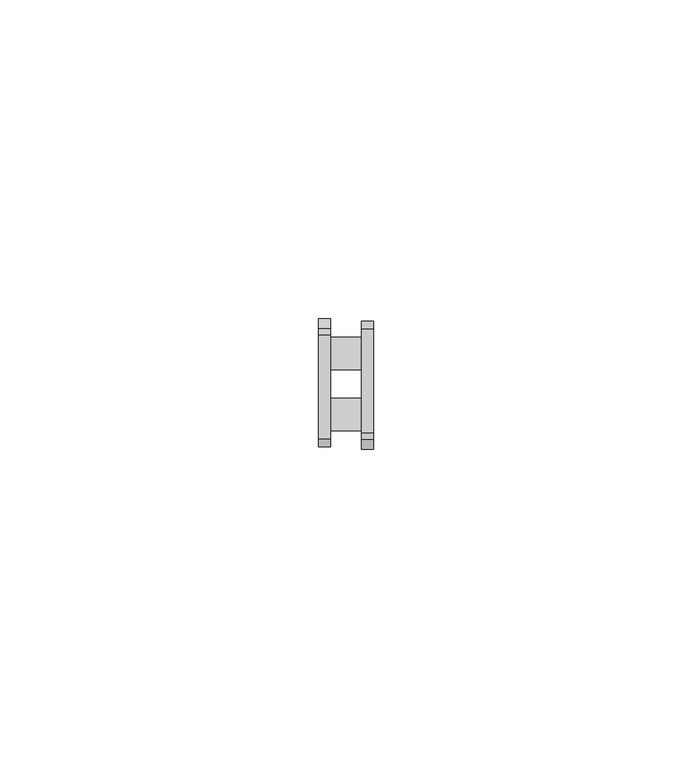
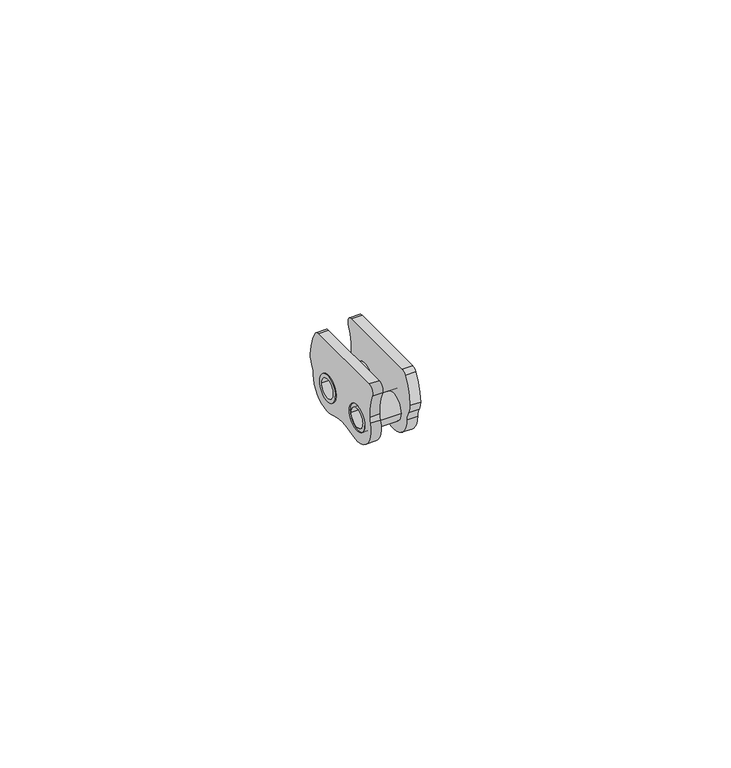
"""IFC4 building model written with IfcOpenShell, lengths in millimetres: proxy geometry."""

import ifcopenshell
import ifcopenshell.guid

model = None  # the IFC model being written
_history = None  # IfcOwnerHistory: only IFC2X3 demands one
_inside = {}  # id of a spatial element -> (the spatial element, [elements in it])
_under = {}  # id of a project, library or spatial element -> (it, [spatial elements below it])
_declared = {}  # id of a project -> (the project, [libraries it declares])
_typed = {}  # id of a type object -> (the type object, [elements of that type])
_made_of = {}  # id of a material, layer set ... -> (it, [elements and type objects made of it])


def new_model(schema):
    """Start an empty IFC model of exactly this schema.

    Asked for "IFC4X3", IfcOpenShell would pick the latest addendum, in which some entities
    have other attributes; the version numbers below select the first issue.
    IFC2X3 requires an IfcOwnerHistory on every rooted entity: one is made here for all.
    """
    global model, _history
    if schema == "IFC4X3":
        model = ifcopenshell.file(schema_version=(4, 3, 0, 0))
    else:
        model = ifcopenshell.file(schema=schema)
    _inside.clear()
    _under.clear()
    _declared.clear()
    _typed.clear()
    _made_of.clear()
    _history = None
    if model.schema == "IFC2X3":
        org = make("IfcOrganization", Name="unknown")
        user = make(
            "IfcPersonAndOrganization",
            ThePerson=make("IfcPerson", FamilyName="unknown"),
            TheOrganization=org,
        )
        app = make(
            "IfcApplication",
            ApplicationDeveloper=org,
            Version="unknown",
            ApplicationFullName="unknown",
            ApplicationIdentifier="unknown",
        )
        _history = make(
            "IfcOwnerHistory",
            OwningUser=user,
            OwningApplication=app,
            ChangeAction="ADDED",
            CreationDate=0,
        )
    return model


def make(cls, **values):
    """One entity of the class cls with the attributes given. An attribute that is None is left unset."""
    return model.create_entity(
        cls, **{name: value for name, value in values.items() if value is not None}
    )


def rooted(cls, **values):
    """An entity with a GlobalId (a new one), such as an element, a storey or a relation."""
    return make(cls, GlobalId=ifcopenshell.guid.new(), OwnerHistory=_history, **values)


def si_unit(unit_type, name, prefix=None):
    """IfcSIUnit, for example si_unit("LENGTHUNIT", "METRE", prefix="MILLI")."""
    return make("IfcSIUnit", UnitType=unit_type, Prefix=prefix, Name=name)


def assignment(units):
    """IfcUnitAssignment: the units of a project."""
    return None if units is None else make("IfcUnitAssignment", Units=units)


def point(xyz):
    """IfcCartesianPoint."""
    return None if xyz is None else make("IfcCartesianPoint", Coordinates=xyz)


def direction(xyz):
    """IfcDirection."""
    return None if xyz is None else make("IfcDirection", DirectionRatios=xyz)


def frame(location, z_axis=None, x_axis=None):
    """IfcAxis2Placement3D, a coordinate frame: its origin and axes. An axis left out is left unset."""
    return make(
        "IfcAxis2Placement3D",
        Location=point(location),
        Axis=direction(z_axis),
        RefDirection=direction(x_axis),
    )


def frame_2d(location, x_axis=None):
    """IfcAxis2Placement2D, a coordinate frame in the plane: its origin and x axis."""
    return make(
        "IfcAxis2Placement2D", Location=point(location), RefDirection=direction(x_axis)
    )


def origin():
    """The frame at (0, 0, 0) with its axes left unset."""
    return frame((0.0, 0.0, 0.0))


def origin_2d():
    """The frame at (0, 0) in the plane with its x axis left unset."""
    return frame_2d((0.0, 0.0))


def place(relative_to, where):
    """IfcLocalPlacement: puts the frame where relative to a parent placement (None: the world)."""
    return make(
        "IfcLocalPlacement", PlacementRelTo=relative_to, RelativePlacement=where
    )


def context(
    kind, dimensions, precision=None, world=None, true_north=None, identifier=None
):
    """IfcGeometricRepresentationContext, for example the 3D "Model" context."""
    return make(
        "IfcGeometricRepresentationContext",
        ContextIdentifier=identifier,
        ContextType=kind,
        CoordinateSpaceDimension=dimensions,
        Precision=precision,
        WorldCoordinateSystem=world,
        TrueNorth=true_north,
    )


def project(units=None, contexts=None):
    """IfcProject with its units and contexts."""
    return rooted(
        "IfcProject",
        Name="project",
        RepresentationContexts=contexts,
        UnitsInContext=assignment(units),
    )


def spatial(cls, under=None, at=None, **own):
    """A site, building, storey or space (cls), placed at a placement, below another one or the project."""
    s = rooted(cls, ObjectPlacement=at, **own)
    if under is not None:
        _under.setdefault(under.id(), (under, []))[1].append(s)
    return s


def polyline(points):
    """IfcPolyline through the points."""
    return make("IfcPolyline", Points=[point(p) for p in points])


def circle_curve(where, radius):
    """IfcCircle in the frame where."""
    return make("IfcCircle", Position=where, Radius=radius)


def trimmed(basis, trim1, trim2, sense, master):
    """IfcTrimmedCurve: the piece of a basis curve between two trims."""
    return make(
        "IfcTrimmedCurve",
        BasisCurve=basis,
        Trim1=trim1,
        Trim2=trim2,
        SenseAgreement=sense,
        MasterRepresentation=master,
    )


def segment(curve, same_sense, transition):
    """IfcCompositeCurveSegment."""
    return make(
        "IfcCompositeCurveSegment",
        Transition=transition,
        SameSense=same_sense,
        ParentCurve=curve,
    )


def composite_curve(segments, self_intersect=None):
    """IfcCompositeCurve: segments joined end to end."""
    return make("IfcCompositeCurve", Segments=segments, SelfIntersect=self_intersect)


def outline(outer, holes=None, kind="AREA"):
    """IfcArbitraryClosedProfileDef: a profile drawn as a closed curve; with holes, ...WithVoids."""
    if holes is None:
        return make("IfcArbitraryClosedProfileDef", ProfileType=kind, OuterCurve=outer)
    return make(
        "IfcArbitraryProfileDefWithVoids",
        ProfileType=kind,
        OuterCurve=outer,
        InnerCurves=holes,
    )


def extrude(swept, where, along, depth):
    """IfcExtrudedAreaSolid: the profile swept, set in the frame where, extruded along a direction by depth."""
    return make(
        "IfcExtrudedAreaSolid",
        SweptArea=swept,
        Position=where,
        ExtrudedDirection=direction(along),
        Depth=depth,
    )


def shape(context_of_items, identifier, shape_type, items):
    """IfcShapeRepresentation: the items that make up one representation, for example the "Body"."""
    return make(
        "IfcShapeRepresentation",
        ContextOfItems=context_of_items,
        RepresentationIdentifier=identifier,
        RepresentationType=shape_type,
        Items=items,
    )


def source(mapping_origin, context_of_items, identifier, shape_type, items):
    """IfcRepresentationMap: a shape defined once, which mapped items show again and again."""
    return make(
        "IfcRepresentationMap",
        MappingOrigin=mapping_origin,
        MappedRepresentation=shape(context_of_items, identifier, shape_type, items),
    )


def transform(
    local_origin,
    x_axis=None,
    y_axis=None,
    z_axis=None,
    scale=None,
    scale2=None,
    scale3=None,
    uniform=True,
):
    """IfcCartesianTransformationOperator3D, or its non-uniform kind. x_axis, y_axis, z_axis: its Axis1, 2, 3."""
    if uniform:
        return make(
            "IfcCartesianTransformationOperator3D",
            Axis1=direction(x_axis),
            Axis2=direction(y_axis),
            LocalOrigin=point(local_origin),
            Scale=scale,
            Axis3=direction(z_axis),
        )
    return make(
        "IfcCartesianTransformationOperator3DnonUniform",
        Axis1=direction(x_axis),
        Axis2=direction(y_axis),
        LocalOrigin=point(local_origin),
        Scale=scale,
        Axis3=direction(z_axis),
        Scale2=scale2,
        Scale3=scale3,
    )


def mapped(mapping_source, mapping_target):
    """IfcMappedItem: shows the shape of a source again, moved by a transform."""
    return make(
        "IfcMappedItem", MappingSource=mapping_source, MappingTarget=mapping_target
    )


def made_of(thing, what):
    """Note that an element or type object is made of a material, layer set ...; save() writes the relation."""
    if what is not None:
        _made_of.setdefault(what.id(), (what, []))[1].append(thing)
    return thing


def element(
    cls,
    number,
    at=None,
    inside=None,
    cuts=None,
    type_object=None,
    material=None,
    context=None,
    identifier="Body",
    shape_type=None,
    held_by="IfcProductDefinitionShape",
    body=None,
    shapes=None,
    **own,
):
    """One element of the class cls, such as IfcWall. Its Tag is "e" and its number.

    at: its placement. inside: the storey or other place that contains it. cuts: it is an
    opening in that element (IfcRelVoidsElement). A single representation is given by context,
    identifier, shape_type and body (its items); several are given by shapes. held_by: the class
    of the entity that holds the representations. save() writes the other relations.
    """
    e = rooted(cls, Tag="e%d" % number, ObjectPlacement=at, **own)
    if body is not None:
        shapes = [shape(context, identifier, shape_type, body)]
    if shapes is not None:
        e.Representation = make(held_by, Representations=shapes)
    if inside is not None:
        _inside.setdefault(inside.id(), (inside, []))[1].append(e)
    if cuts is not None:
        rooted(
            "IfcRelVoidsElement", RelatingBuildingElement=cuts, RelatedOpeningElement=e
        )
    if type_object is not None:
        _typed.setdefault(type_object.id(), (type_object, []))[1].append(e)
    return made_of(e, material)


def aggregate(whole, parts):
    """IfcRelAggregates: a whole, such as a stair, and the parts it consists of."""
    return rooted("IfcRelAggregates", RelatingObject=whole, RelatedObjects=parts)


def save(model, path):
    """Write the relations noted so far, then the file.

    IfcRelAggregates (storeys below a building ...), IfcRelContainedInSpatialStructure (elements
    in a storey), IfcRelDefinesByType, IfcRelAssociatesMaterial and IfcRelDeclares: one each for
    every whole, place, type object, material and project.
    """
    for whole, parts in _under.values():
        aggregate(whole, parts)
    for where, things in _inside.values():
        rooted(
            "IfcRelContainedInSpatialStructure",
            RelatedElements=things,
            RelatingStructure=where,
        )
    for kind, things in _typed.values():
        rooted("IfcRelDefinesByType", RelatedObjects=things, RelatingType=kind)
    for what, things in _made_of.values():
        rooted("IfcRelAssociatesMaterial", RelatedObjects=things, RelatingMaterial=what)
    for by, libraries in _declared.values():
        rooted("IfcRelDeclares", RelatingContext=by, RelatedDefinitions=libraries)
    model.write(path)


def plane_surface(at):
    """IfcPlane: the flat surface through the origin of the frame at, square to its z axis."""
    return make("IfcPlane", Position=at)


def cylinder_surface(at, radius):
    """IfcCylindricalSurface: all points at the distance radius from the z axis of the frame at."""
    return make("IfcCylindricalSurface", Position=at, Radius=radius)


def revolved_surface(curve, axis_point, axis_direction):
    """IfcSurfaceOfRevolution: the curve turned about the line through axis_point along axis_direction."""
    return make(
        "IfcSurfaceOfRevolution",
        SweptCurve=make("IfcArbitraryOpenProfileDef", ProfileType="CURVE", Curve=curve),
        AxisPosition=make("IfcAxis1Placement", Location=point(axis_point), Axis=direction(axis_direction)),
    )


def advanced_brep(points, edges, surfaces, faces):
    """IfcAdvancedBrep: a solid bounded by faces that lie on surfaces and meet in shared edges.

    An edge is (start, end): straight between two places in points (the first is 0);
    or (start, end, curve); or (start, end, curve, False) where it runs against its curve.
    A face is (place in surfaces, loops), or (place, loops, False) where it looks against
    its surface's normal. A loop lists edges by number (the first is 1), with a minus sign
    where the edge is run from its end to its start. The first loop is the outer one.
    """
    corners = [point(p) for p in points]
    vertices = [make("IfcVertexPoint", VertexGeometry=c) for c in corners]
    made = []
    for start, end, *more in edges:
        made.append(
            make(
                "IfcEdgeCurve",
                EdgeStart=vertices[start],
                EdgeEnd=vertices[end],
                EdgeGeometry=more[0] if more else make("IfcPolyline", Points=[corners[start], corners[end]]),
                SameSense=more[1] if len(more) > 1 else True,
            )
        )
    hull = []
    for where, loops, *sense in faces:
        bounds = []
        for j, loop in enumerate(loops):
            ring = [make("IfcOrientedEdge", EdgeElement=made[abs(k) - 1], Orientation=k > 0) for k in loop]
            bounds.append(
                make(
                    "IfcFaceOuterBound" if j == 0 else "IfcFaceBound",
                    Bound=make("IfcEdgeLoop", EdgeList=ring),
                    Orientation=True,
                )
            )
        hull.append(make("IfcAdvancedFace", Bounds=bounds, FaceSurface=surfaces[where], SameSense=sense[0] if sense else True))
    return make("IfcAdvancedBrep", Outer=make("IfcClosedShell", CfsFaces=hull))


def generic_models_508b4e1f(model_context):
    return source(origin(), model_context, "Body", "SolidModel", [
        extrude(outline(composite_curve([segment(trimmed(circle_curve(frame_2d((9.525, 0.0)), 2.54), [point((6.985, 0.0))], [point((12.065, 0.0))], False, "CARTESIAN"), True, "CONTINUOUS"), segment(trimmed(circle_curve(frame_2d((9.525, 0.0)), 2.54), [point((12.065, 0.0))], [point((6.985, 0.0))], False, "CARTESIAN"), True, "CONTINUOUS")], self_intersect=False), holes=[composite_curve([segment(trimmed(circle_curve(frame_2d((9.525, 0.0)), 1.8), [point((11.325, 0.0))], [point((7.725, 0.0))], True, "CARTESIAN"), True, "CONTINUOUS"), segment(trimmed(circle_curve(frame_2d((9.525, 0.0)), 1.8), [point((7.725, 0.0))], [point((11.325, 0.0))], True, "CARTESIAN"), True, "CONTINUOUS")], self_intersect=False)]), frame((-4.335, 0.0, 0.0), z_axis=(1.0, 0.0, 0.0), x_axis=(0.0, 1.0, 0.0)), (0.0, 0.0, 1.0), 8.67),
        advanced_brep(
        [(-4.335, 2.5, 0.0), (-2.435, 2.5, 0.0), (-2.435, -2.5, 0.0), (-4.335, -2.5, 0.0), (-4.335, 12.025, 0.0), (-2.435, 12.025, 0.0), (-2.435, 7.025, 0.0), (-4.335, 7.025, 0.0), (-4.335, 12.0054865, 0.3117476), (-4.335, 14.5233959, 1.6559512), (-4.335, 14.025, 0.0), (-4.335, 8.0469828, -4.2503488), (-4.335, 1.4780172, -4.2503488), (-4.335, -4.2531196, 1.470025), (-4.335, -4.0395552, 2.5606561), (-4.335, -4.948107, 7.2964286), (-4.335, -3.8588798, 9.0), (-4.335, 12.4647581, 9.0), (-4.335, 13.4792705, 8.4409091), (-4.335, 15.0204168, 3.4027264), (-2.435, 8.0469828, -4.2503488), (-2.435, 1.4780172, -4.2503488), (-2.435, 14.5233959, 1.6559512), (-2.435, 14.025, 0.0), (-2.435, -4.2531196, 1.470025), (-2.435, 15.0204168, 3.4027264), (-2.435, 13.4792705, 8.4409091), (-2.435, -4.0395552, 2.5606561), (-2.435, -4.948107, 7.2964286), (-2.435, 12.4647581, 9.0), (-2.435, -3.8588798, 9.0)],
        [
            (0, 1),
            (1, 2, circle_curve(frame((-2.435, 0.0, 0.0), z_axis=(1.0, 0.0, 0.0), x_axis=(0.0, 1.0, 0.0)), 2.5)),
            (2, 3),
            (3, 0, circle_curve(frame((-4.335, 0.0, 0.0), z_axis=(-1.0, 0.0, 0.0), x_axis=(0.0, 1.0, 0.0)), 2.5)),
            (4, 5),
            (5, 6, circle_curve(frame((-2.435, 9.525, 0.0), z_axis=(1.0, 0.0, 0.0), x_axis=(0.0, 1.0, 0.0)), 2.5)),
            (6, 7),
            (7, 8, circle_curve(frame((-4.335, 9.525, 0.0), z_axis=(-1.0, 0.0, 0.0), x_axis=(0.0, 1.0, 0.0)), 2.5)),
            (8, 4, circle_curve(frame((-4.335, 9.525, 0.0), z_axis=(-1.0, 0.0, 0.0), x_axis=(0.0, 1.0, 0.0)), 2.5)),
            (9, 10, circle_curve(frame((-4.335, 17.0251981, 0.0), z_axis=(1.0, 0.0, 0.0), x_axis=(0.0, 1.0, 0.0)), 3.0001981)),
            (10, 11, circle_curve(frame((-4.335, 9.525, 0.0), z_axis=(-1.0, 0.0, 0.0), x_axis=(0.0, 1.0, 0.0)), 4.5)),
            (11, 12, circle_curve(frame((-4.335, 4.7625, -13.6955684), z_axis=(1.0, 0.0, 0.0), x_axis=(0.0, 0.3284482758620694, -0.9445219584971193)), 10.0)),
            (12, 13, circle_curve(frame((-4.335, 0.0, 0.0), z_axis=(-1.0, 0.0, 0.0), x_axis=(0.0, 0.32844827586206915, -0.9445219584971195)), 4.5)),
            (13, 14, circle_curve(frame((-4.335, -8.0325608, 2.7763303), z_axis=(1.0, 0.0, 0.0), x_axis=(0.0, -0.9985444813507156, 0.05393439314602933)), 3.998826)),
            (14, 15, circle_curve(frame((-4.335, -14.025, 3.1), z_axis=(1.0, 0.0, 0.0), x_axis=(0.0, -0.9076893039190115, -0.41964285714285743)), 10.0)),
            (15, 16, circle_curve(frame((-4.335, -3.8588798, 7.8), z_axis=(-1.0, 0.0, 0.0), x_axis=(0.0, -0.9076893039190114, -0.41964285714285754)), 1.2)),
            (16, 17),
            (17, 18, circle_curve(frame((-4.335, 12.4647581, 7.8), z_axis=(-1.0, 0.0, 0.0), x_axis=(0.0, 0.0, 1.0)), 1.2)),
            (18, 19, circle_curve(frame((-4.335, 5.025, 3.1), z_axis=(-1.0, 0.0, 0.0), x_axis=(0.0, 0.8454270523389028, 0.5340909090909095)), 10.0)),
            (19, 9, circle_curve(frame((-4.335, 12.0215938, 3.3119025), z_axis=(-1.0, 0.0, 0.0), x_axis=(0.0, 0.9995416787362873, 0.03027263564747111)), 3.0001981)),
            (7, 4, circle_curve(frame((-4.335, 9.525, 0.0), z_axis=(1.0, 0.0, 0.0), x_axis=(0.0, 1.0, 0.0)), 2.5)),
            (3, 0, circle_curve(frame((-4.335, 0.0, 0.0), z_axis=(1.0, 0.0, 0.0), x_axis=(0.0, 1.0, 0.0)), 2.5)),
            (11, 20),
            (20, 21, circle_curve(frame((-2.435, 4.7625, -13.6955684), z_axis=(1.0, 0.0, 0.0), x_axis=(0.0, 0.3284482758620694, -0.9445219584971193)), 10.0)),
            (21, 12),
            (9, 22),
            (22, 23, circle_curve(frame((-2.435, 17.0251981, 0.0), z_axis=(1.0, 0.0, 0.0), x_axis=(0.0, 1.0, 0.0)), 3.0001981)),
            (23, 10),
            (21, 24, circle_curve(frame((-2.435, 0.0, 0.0), z_axis=(-1.0, 0.0, 0.0), x_axis=(0.0, 0.32844827586206915, -0.9445219584971195)), 4.5)),
            (24, 13),
            (19, 25),
            (25, 22, circle_curve(frame((-2.435, 12.0215938, 3.3119025), z_axis=(-1.0, 0.0, 0.0), x_axis=(0.0, 0.9995416787362873, 0.03027263564747111)), 3.0001981)),
            (18, 26),
            (26, 25, circle_curve(frame((-2.435, 5.025, 3.1), z_axis=(-1.0, 0.0, 0.0), x_axis=(0.0, 0.8454270523389028, 0.5340909090909095)), 10.0)),
            (23, 20, circle_curve(frame((-2.435, 9.525, 0.0), z_axis=(-1.0, 0.0, 0.0), x_axis=(0.0, 1.0, 0.0)), 4.5)),
            (14, 27),
            (27, 28, circle_curve(frame((-2.435, -14.025, 3.1), z_axis=(1.0, 0.0, 0.0), x_axis=(0.0, -0.9076893039190115, -0.41964285714285743)), 10.0)),
            (28, 15),
            (17, 29),
            (29, 26, circle_curve(frame((-2.435, 12.4647581, 7.8), z_axis=(-1.0, 0.0, 0.0), x_axis=(0.0, 0.0, 1.0)), 1.2)),
            (16, 30),
            (30, 29),
            (28, 30, circle_curve(frame((-2.435, -3.8588798, 7.8), z_axis=(-1.0, 0.0, 0.0), x_axis=(0.0, -0.9076893039190114, -0.41964285714285754)), 1.2)),
            (24, 27, circle_curve(frame((-2.435, -8.0325608, 2.7763303), z_axis=(1.0, 0.0, 0.0), x_axis=(0.0, -0.9985444813507156, 0.05393439314602933)), 3.998826)),
            (1, 2, circle_curve(frame((-2.435, 0.0, 0.0), z_axis=(-1.0, 0.0, 0.0), x_axis=(0.0, 1.0, 0.0)), 2.5)),
            (5, 6, circle_curve(frame((-2.435, 9.525, 0.0), z_axis=(-1.0, 0.0, 0.0), x_axis=(0.0, 1.0, 0.0)), 2.5)),
        ],
        [
            revolved_surface(polyline([(-4.335, 2.5, 0.0), (-2.435, 2.5, 0.0)]), (-2.435, 0.0, 0.0), (-1.0, 0.0, 0.0)),
            revolved_surface(polyline([(-4.335, 12.025, 0.0), (-2.435, 12.025, 0.0)]), (-2.435, 9.525, 0.0), (-1.0, 0.0, 0.0)),
            plane_surface(frame((-4.335, 4.981456, 2.25), z_axis=(-1.0, 0.0, 0.0), x_axis=(0.0, 1.0, 0.0))),
            revolved_surface(polyline([(-4.335, 8.046982758620695, -23.140787984971194), (-2.435, 8.046982758620695, -23.140787984971194)]), (-2.435, 4.7625, -13.6955684), (-1.0, 0.0, 0.0)),
            revolved_surface(polyline([(-4.335, 20.0253962, 0.0), (-2.435, 20.0253962, 0.0)]), (-2.435, 17.0251981, 0.0), (-1.0, 0.0, 0.0)),
            cylinder_surface(frame((-2.435, 0.0, 0.0), z_axis=(-1.0000000000000002, 0.0, 0.0), x_axis=(0.0, 0.32844827586206915, -0.9445219584971195)), 4.5),
            cylinder_surface(frame((-2.435, 12.0215938, 3.3119025), z_axis=(-0.9999999999999999, 0.0, 0.0), x_axis=(0.0, 0.9995416787362873, 0.03027263564747111)), 3.0001981),
            cylinder_surface(frame((-2.435, 5.025, 3.1), z_axis=(-1.0, 0.0, 0.0), x_axis=(0.0, 0.8454270523389028, 0.5340909090909095)), 10.0),
            cylinder_surface(frame((-2.435, 9.525, 0.0), z_axis=(-1.0, 0.0, 0.0), x_axis=(0.0, 1.0, 0.0)), 4.5),
            revolved_surface(polyline([(-4.335000000000001, -23.101893039190116, -1.0964285714285746), (-2.435, -23.101893039190116, -1.0964285714285746)]), (-2.435, -14.025, 3.1), (-1.0000000000000002, 0.0, 0.0)),
            cylinder_surface(frame((-2.435, 12.4647581, 7.8), z_axis=(-1.0, 0.0, 0.0), x_axis=(0.0, 0.0, 1.0)), 1.2),
            plane_surface(frame((-2.435, 4.7625, 9.0), z_axis=(0.0, 0.0, 1.0), x_axis=(-1.0, 0.0, 0.0))),
            cylinder_surface(frame((-2.435, -3.8588798, 7.8), z_axis=(-1.0, 0.0, 0.0), x_axis=(0.0, -0.9076893039190114, -0.41964285714285754)), 1.2),
            revolved_surface(polyline([(-4.335000000000001, -12.025566434181759, 2.992004553606564), (-2.435, -12.025566434181759, 2.992004553606564)]), (-2.435, -8.0325608, 2.7763303), (-1.0000000000000002, 0.0, 0.0)),
            plane_surface(frame((-2.435, 4.7504355, 2.7429635), z_axis=(1.0, 0.0, 0.0), x_axis=(0.0, -1.0, 0.0))),
        ],
        [
            (0, [[1, 2, 3, 4]]),
            (1, [[5, 6, 7, 8, 9]]),
            (2, [[10, 11, 12, 13, 14, 15, 16, 17, 18, 19, 20], [-8, 21, -9], [22, -4]]),
            (3, [[-12, 23, 24, 25]]),
            (4, [[-10, 26, 27, 28]]),
            (5, [[-13, -25, 29, 30]]),
            (6, [[-20, 31, 32, -26]]),
            (7, [[-19, 33, 34, -31]]),
            (8, [[-11, -28, 35, -23]]),
            (9, [[-15, 36, 37, 38]]),
            (10, [[-18, 39, 40, -33]]),
            (11, [[-17, 41, 42, -39]]),
            (12, [[-16, -38, 43, -41]]),
            (13, [[-14, -30, 44, -36]]),
            (14, [[-29, -24, -35, -27, -32, -34, -40, -42, -43, -37, -44], [-2, 45], [-6, 46]]),
            (1, [[-5, -21, -7, -46]]),
            (0, [[-1, -22, -3, -45]]),
        ],
    ),
        advanced_brep(
        [(4.335, 7.025, 0.0), (2.435, 7.025, 0.0), (2.435, 12.025, 0.0), (4.335, 12.025, 0.0), (4.335, -2.5, 0.0), (2.435, -2.5, 0.0), (2.435, 2.5, 0.0), (4.335, 2.5, 0.0), (4.335, -2.4804865, 0.3117476), (4.335, -4.9983959, 1.6559512), (4.335, -4.5, 0.0), (4.335, 1.4780172, -4.2503488), (4.335, 8.0469828, -4.2503488), (4.335, 13.7781196, 1.470025), (4.335, 13.5645552, 2.5606561), (4.335, 14.473107, 7.2964286), (4.335, 13.3838798, 9.0), (4.335, -2.9397581, 9.0), (4.335, -3.9542705, 8.4409091), (4.335, -5.4954168, 3.4027264), (2.435, 1.4780172, -4.2503488), (2.435, 8.0469828, -4.2503488), (2.435, -4.9983959, 1.6559512), (2.435, -4.5, 0.0), (2.435, 13.7781196, 1.470025), (2.435, -5.4954168, 3.4027264), (2.435, -3.9542705, 8.4409091), (2.435, 13.5645552, 2.5606561), (2.435, 14.473107, 7.2964286), (2.435, -2.9397581, 9.0), (2.435, 13.3838798, 9.0)],
        [
            (0, 1),
            (1, 2, circle_curve(frame((2.435, 9.525, 0.0), z_axis=(-1.0, 0.0, 0.0), x_axis=(0.0, -1.0, 0.0)), 2.5)),
            (2, 3),
            (3, 0, circle_curve(frame((4.335, 9.525, 0.0), z_axis=(1.0, 0.0, 0.0), x_axis=(0.0, -1.0, 0.0)), 2.5)),
            (4, 5),
            (5, 6, circle_curve(frame((2.435, 0.0, 0.0), z_axis=(-1.0, 0.0, 0.0), x_axis=(0.0, -1.0, 0.0)), 2.5)),
            (6, 7),
            (7, 8, circle_curve(frame((4.335, 0.0, 0.0), z_axis=(1.0, 0.0, 0.0), x_axis=(0.0, -1.0, 0.0)), 2.5)),
            (8, 4, circle_curve(frame((4.335, 0.0, 0.0), z_axis=(1.0, 0.0, 0.0), x_axis=(0.0, -1.0, 0.0)), 2.5)),
            (9, 10, circle_curve(frame((4.335, -7.5001981, 0.0), z_axis=(-1.0, 0.0, 0.0), x_axis=(0.0, -1.0, 0.0)), 3.0001981)),
            (10, 11, circle_curve(frame((4.335, 0.0, 0.0), z_axis=(1.0, 0.0, 0.0), x_axis=(0.0, -1.0, 0.0)), 4.5)),
            (11, 12, circle_curve(frame((4.335, 4.7625, -13.6955684), z_axis=(-1.0, 0.0, 0.0), x_axis=(0.0, -0.3284482758620691, -0.9445219584971194)), 10.0)),
            (12, 13, circle_curve(frame((4.335, 9.525, 0.0), z_axis=(1.0, 0.0, 0.0), x_axis=(0.0, -0.3284482758620688, -0.9445219584971196)), 4.5)),
            (13, 14, circle_curve(frame((4.335, 17.5575608, 2.7763303), z_axis=(-1.0, 0.0, 0.0), x_axis=(0.0, 0.9985444813507156, 0.05393439314602968)), 3.998826)),
            (14, 15, circle_curve(frame((4.335, 23.55, 3.1), z_axis=(-1.0, 0.0, 0.0), x_axis=(0.0, 0.9076893039190116, -0.41964285714285715)), 10.0)),
            (15, 16, circle_curve(frame((4.335, 13.3838798, 7.8), z_axis=(1.0, 0.0, 0.0), x_axis=(0.0, 0.9076893039190115, -0.41964285714285726)), 1.2)),
            (16, 17),
            (17, 18, circle_curve(frame((4.335, -2.9397581, 7.8), z_axis=(1.0, 0.0, 0.0), x_axis=(0.0, 0.0, 1.0)), 1.2)),
            (18, 19, circle_curve(frame((4.335, 4.5, 3.1), z_axis=(1.0, 0.0, 0.0), x_axis=(0.0, -0.845427052338903, 0.5340909090909092)), 10.0)),
            (19, 9, circle_curve(frame((4.335, -2.4965938, 3.3119025), z_axis=(1.0, 0.0, 0.0), x_axis=(0.0, -0.9995416787362873, 0.03027263564747076)), 3.0001981)),
            (7, 4, circle_curve(frame((4.335, 0.0, 0.0), z_axis=(-1.0, 0.0, 0.0), x_axis=(0.0, -1.0, 0.0)), 2.5)),
            (3, 0, circle_curve(frame((4.335, 9.525, 0.0), z_axis=(-1.0, 0.0, 0.0), x_axis=(0.0, -1.0, 0.0)), 2.5)),
            (11, 20),
            (20, 21, circle_curve(frame((2.435, 4.7625, -13.6955684), z_axis=(-1.0, 0.0, 0.0), x_axis=(0.0, -0.3284482758620691, -0.9445219584971194)), 10.0)),
            (21, 12),
            (9, 22),
            (22, 23, circle_curve(frame((2.435, -7.5001981, 0.0), z_axis=(-1.0, 0.0, 0.0), x_axis=(0.0, -1.0, 0.0)), 3.0001981)),
            (23, 10),
            (21, 24, circle_curve(frame((2.435, 9.525, 0.0), z_axis=(1.0, 0.0, 0.0), x_axis=(0.0, -0.3284482758620688, -0.9445219584971196)), 4.5)),
            (24, 13),
            (19, 25),
            (25, 22, circle_curve(frame((2.435, -2.4965938, 3.3119025), z_axis=(1.0, 0.0, 0.0), x_axis=(0.0, -0.9995416787362873, 0.03027263564747076)), 3.0001981)),
            (18, 26),
            (26, 25, circle_curve(frame((2.435, 4.5, 3.1), z_axis=(1.0, 0.0, 0.0), x_axis=(0.0, -0.845427052338903, 0.5340909090909092)), 10.0)),
            (23, 20, circle_curve(frame((2.435, 0.0, 0.0), z_axis=(1.0, 0.0, 0.0), x_axis=(0.0, -1.0, 0.0)), 4.5)),
            (14, 27),
            (27, 28, circle_curve(frame((2.435, 23.55, 3.1), z_axis=(-1.0, 0.0, 0.0), x_axis=(0.0, 0.9076893039190116, -0.41964285714285715)), 10.0)),
            (28, 15),
            (17, 29),
            (29, 26, circle_curve(frame((2.435, -2.9397581, 7.8), z_axis=(1.0, 0.0, 0.0), x_axis=(0.0, 0.0, 1.0)), 1.2)),
            (16, 30),
            (30, 29),
            (28, 30, circle_curve(frame((2.435, 13.3838798, 7.8), z_axis=(1.0, 0.0, 0.0), x_axis=(0.0, 0.9076893039190115, -0.41964285714285726)), 1.2)),
            (24, 27, circle_curve(frame((2.435, 17.5575608, 2.7763303), z_axis=(-1.0, 0.0, 0.0), x_axis=(0.0, 0.9985444813507156, 0.05393439314602968)), 3.998826)),
            (1, 2, circle_curve(frame((2.435, 9.525, 0.0), z_axis=(1.0, 0.0, 0.0), x_axis=(0.0, -1.0, 0.0)), 2.5)),
            (5, 6, circle_curve(frame((2.435, 0.0, 0.0), z_axis=(1.0, 0.0, 0.0), x_axis=(0.0, -1.0, 0.0)), 2.5)),
        ],
        [
            revolved_surface(polyline([(4.335, 7.025, 0.0), (2.435, 7.025, 0.0)]), (2.435, 9.525, 0.0), (1.0, 0.0, 0.0)),
            revolved_surface(polyline([(4.335, -2.5, 0.0), (2.435, -2.5, 0.0)]), (2.435, 0.0, 0.0), (1.0, 0.0, 0.0)),
            plane_surface(frame((4.335, 4.543544, 2.25), z_axis=(1.0, 0.0, 0.0), x_axis=(0.0, -1.0, 0.0))),
            revolved_surface(polyline([(4.335, 1.4780172413793093, -23.140787984971197), (2.435, 1.4780172413793093, -23.140787984971197)]), (2.435, 4.7625, -13.6955684), (1.0, 0.0, 0.0)),
            revolved_surface(polyline([(4.335, -10.5003962, 0.0), (2.435, -10.5003962, 0.0)]), (2.435, -7.5001981, 0.0), (1.0, 0.0, 0.0)),
            cylinder_surface(frame((2.435, 9.525, 0.0), z_axis=(1.0000000000000002, 0.0, 0.0), x_axis=(0.0, -0.3284482758620688, -0.9445219584971196)), 4.5),
            cylinder_surface(frame((2.435, -2.4965938, 3.3119025), z_axis=(0.9999999999999999, 0.0, 0.0), x_axis=(0.0, -0.9995416787362873, 0.03027263564747076)), 3.0001981),
            cylinder_surface(frame((2.435, 4.5, 3.1), z_axis=(1.0, 0.0, 0.0), x_axis=(0.0, -0.845427052338903, 0.5340909090909092)), 10.0),
            cylinder_surface(frame((2.435, 0.0, 0.0), z_axis=(1.0, 0.0, 0.0), x_axis=(0.0, -1.0, 0.0)), 4.5),
            revolved_surface(polyline([(4.335000000000001, 32.626893039190115, -1.096428571428571), (2.435, 32.626893039190115, -1.096428571428571)]), (2.435, 23.55, 3.1), (1.0000000000000002, 0.0, 0.0)),
            cylinder_surface(frame((2.435, -2.9397581, 7.8), z_axis=(1.0, 0.0, 0.0), x_axis=(0.0, 0.0, 1.0)), 1.2),
            plane_surface(frame((2.435, 4.7625, 9.0), z_axis=(0.0, 0.0, 1.0), x_axis=(1.0, 0.0, 0.0))),
            cylinder_surface(frame((2.435, 13.3838798, 7.8), z_axis=(1.0, 0.0, 0.0), x_axis=(0.0, 0.9076893039190115, -0.41964285714285726)), 1.2),
            revolved_surface(polyline([(4.335000000000001, 21.550566434181757, 2.9920045536065656), (2.435, 21.550566434181757, 2.9920045536065656)]), (2.435, 17.5575608, 2.7763303), (1.0000000000000002, 0.0, 0.0)),
            plane_surface(frame((2.435, 4.7745645, 2.7429635), z_axis=(-1.0, 0.0, 0.0), x_axis=(0.0, 1.0, 0.0))),
        ],
        [
            (0, [[1, 2, 3, 4]]),
            (1, [[5, 6, 7, 8, 9]]),
            (2, [[10, 11, 12, 13, 14, 15, 16, 17, 18, 19, 20], [-8, 21, -9], [22, -4]]),
            (3, [[-12, 23, 24, 25]]),
            (4, [[-10, 26, 27, 28]]),
            (5, [[-13, -25, 29, 30]]),
            (6, [[-20, 31, 32, -26]]),
            (7, [[-19, 33, 34, -31]]),
            (8, [[-11, -28, 35, -23]]),
            (9, [[-15, 36, 37, 38]]),
            (10, [[-18, 39, 40, -33]]),
            (11, [[-17, 41, 42, -39]]),
            (12, [[-16, -38, 43, -41]]),
            (13, [[-14, -30, 44, -36]]),
            (14, [[-29, -24, -35, -27, -32, -34, -40, -42, -43, -37, -44], [-2, 45], [-6, 46]]),
            (1, [[-5, -21, -7, -46]]),
            (0, [[-1, -22, -3, -45]]),
        ],
    ),
        extrude(outline(composite_curve([segment(trimmed(circle_curve(origin_2d(), 2.54), [point((-2.54, 0.0))], [point((2.54, 0.0))], False, "CARTESIAN"), True, "CONTINUOUS"), segment(trimmed(circle_curve(origin_2d(), 2.54), [point((2.54, 0.0))], [point((-2.54, 0.0))], False, "CARTESIAN"), True, "CONTINUOUS")], self_intersect=False), holes=[composite_curve([segment(trimmed(circle_curve(origin_2d(), 1.8), [point((1.8, 0.0))], [point((-1.8, 0.0))], True, "CARTESIAN"), True, "CONTINUOUS"), segment(trimmed(circle_curve(origin_2d(), 1.8), [point((-1.8, 0.0))], [point((1.8, 0.0))], True, "CARTESIAN"), True, "CONTINUOUS")], self_intersect=False)]), frame((-4.335, 0.0, 0.0), z_axis=(1.0, 0.0, 0.0), x_axis=(0.0, 1.0, 0.0)), (0.0, 0.0, 1.0), 8.67),
    ])


if __name__ == "__main__":
    model = new_model("IFC4")
    model_context = context("Model", 3, world=origin())
    ifc_project = project(units=[si_unit("LENGTHUNIT", "METRE", prefix="MILLI")], contexts=[model_context])
    site = spatial("IfcSite", under=ifc_project)
    building = spatial("IfcBuilding", under=site)
    placement = place(None, origin())
    generic_models_shape = generic_models_508b4e1f(model_context)
    element("IfcBuildingElementProxy", 1, Name="Generic Models", at=placement, inside=building, context=model_context, shape_type="MappedRepresentation", body=[
        mapped(generic_models_shape, transform((0.0, 0.0, 0.0), x_axis=(1.0, 0.0, 0.0), y_axis=(0.0, 1.0, 0.0), z_axis=(0.0, 0.0, 1.0))),
    ])
    save(model, "model.ifc")
